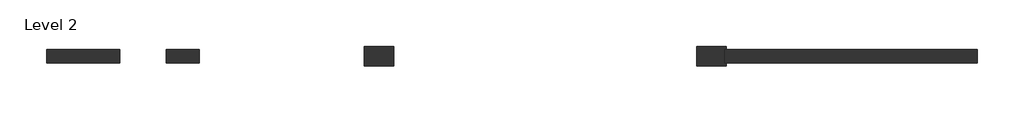
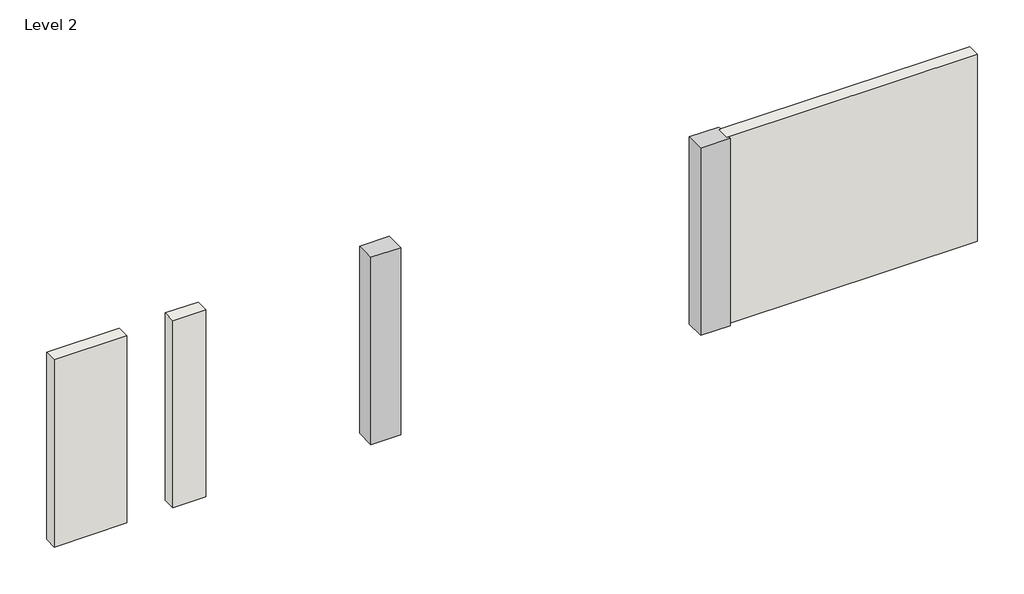
# One storey: 3 walls, 2 columns.
"""IFC4 building model written with IfcOpenShell, lengths in millimetres."""

import ifcopenshell
import ifcopenshell.guid

model = None  # the IFC model being written
_history = None  # IfcOwnerHistory: only IFC2X3 demands one
_inside = {}  # id of a spatial element -> (the spatial element, [elements in it])
_under = {}  # id of a project, library or spatial element -> (it, [spatial elements below it])
_declared = {}  # id of a project -> (the project, [libraries it declares])
_typed = {}  # id of a type object -> (the type object, [elements of that type])
_made_of = {}  # id of a material, layer set ... -> (it, [elements and type objects made of it])


def new_model(schema):
    """Start an empty IFC model of exactly this schema.

    Asked for "IFC4X3", IfcOpenShell would pick the latest addendum, in which some entities
    have other attributes; the version numbers below select the first issue.
    IFC2X3 requires an IfcOwnerHistory on every rooted entity: one is made here for all.
    """
    global model, _history
    if schema == "IFC4X3":
        model = ifcopenshell.file(schema_version=(4, 3, 0, 0))
    else:
        model = ifcopenshell.file(schema=schema)
    _inside.clear()
    _under.clear()
    _declared.clear()
    _typed.clear()
    _made_of.clear()
    _history = None
    if model.schema == "IFC2X3":
        org = make("IfcOrganization", Name="unknown")
        user = make(
            "IfcPersonAndOrganization",
            ThePerson=make("IfcPerson", FamilyName="unknown"),
            TheOrganization=org,
        )
        app = make(
            "IfcApplication",
            ApplicationDeveloper=org,
            Version="unknown",
            ApplicationFullName="unknown",
            ApplicationIdentifier="unknown",
        )
        _history = make(
            "IfcOwnerHistory",
            OwningUser=user,
            OwningApplication=app,
            ChangeAction="ADDED",
            CreationDate=0,
        )
    return model


def make(cls, **values):
    """One entity of the class cls with the attributes given. An attribute that is None is left unset."""
    return model.create_entity(
        cls, **{name: value for name, value in values.items() if value is not None}
    )


def rooted(cls, **values):
    """An entity with a GlobalId (a new one), such as an element, a storey or a relation."""
    return make(cls, GlobalId=ifcopenshell.guid.new(), OwnerHistory=_history, **values)


def si_unit(unit_type, name, prefix=None):
    """IfcSIUnit, for example si_unit("LENGTHUNIT", "METRE", prefix="MILLI")."""
    return make("IfcSIUnit", UnitType=unit_type, Prefix=prefix, Name=name)


def assignment(units):
    """IfcUnitAssignment: the units of a project."""
    return None if units is None else make("IfcUnitAssignment", Units=units)


def point(xyz):
    """IfcCartesianPoint."""
    return None if xyz is None else make("IfcCartesianPoint", Coordinates=xyz)


def direction(xyz):
    """IfcDirection."""
    return None if xyz is None else make("IfcDirection", DirectionRatios=xyz)


def frame(location, z_axis=None, x_axis=None):
    """IfcAxis2Placement3D, a coordinate frame: its origin and axes. An axis left out is left unset."""
    return make(
        "IfcAxis2Placement3D",
        Location=point(location),
        Axis=direction(z_axis),
        RefDirection=direction(x_axis),
    )


def origin():
    """The frame at (0, 0, 0) with its axes left unset."""
    return frame((0.0, 0.0, 0.0))


def place(relative_to, where):
    """IfcLocalPlacement: puts the frame where relative to a parent placement (None: the world)."""
    return make(
        "IfcLocalPlacement", PlacementRelTo=relative_to, RelativePlacement=where
    )


def context(
    kind, dimensions, precision=None, world=None, true_north=None, identifier=None
):
    """IfcGeometricRepresentationContext, for example the 3D "Model" context."""
    return make(
        "IfcGeometricRepresentationContext",
        ContextIdentifier=identifier,
        ContextType=kind,
        CoordinateSpaceDimension=dimensions,
        Precision=precision,
        WorldCoordinateSystem=world,
        TrueNorth=true_north,
    )


def project(units=None, contexts=None):
    """IfcProject with its units and contexts."""
    return rooted(
        "IfcProject",
        Name="project",
        RepresentationContexts=contexts,
        UnitsInContext=assignment(units),
    )


def spatial(cls, under=None, at=None, **own):
    """A site, building, storey or space (cls), placed at a placement, below another one or the project."""
    s = rooted(cls, ObjectPlacement=at, **own)
    if under is not None:
        _under.setdefault(under.id(), (under, []))[1].append(s)
    return s


def polyline(points):
    """IfcPolyline through the points."""
    return make("IfcPolyline", Points=[point(p) for p in points])


def outline(outer, holes=None, kind="AREA"):
    """IfcArbitraryClosedProfileDef: a profile drawn as a closed curve; with holes, ...WithVoids."""
    if holes is None:
        return make("IfcArbitraryClosedProfileDef", ProfileType=kind, OuterCurve=outer)
    return make(
        "IfcArbitraryProfileDefWithVoids",
        ProfileType=kind,
        OuterCurve=outer,
        InnerCurves=holes,
    )


def extrude(swept, where, along, depth):
    """IfcExtrudedAreaSolid: the profile swept, set in the frame where, extruded along a direction by depth."""
    return make(
        "IfcExtrudedAreaSolid",
        SweptArea=swept,
        Position=where,
        ExtrudedDirection=direction(along),
        Depth=depth,
    )


def faces_of(points, faces, orient=None, outer=None):
    """IfcFace entities. A face is a list of loops; a loop is a list of indices into points, from 0.

    orient and outer hold one flag for each loop. By default every Orientation is true, the
    first loop of a face is its IfcFaceOuterBound and the others are IfcFaceBound.
    """
    made = []
    for i, loops in enumerate(faces):
        bounds = []
        for j, loop in enumerate(loops):
            is_outer = j == 0 if outer is None else outer[i][j]
            bounds.append(
                make(
                    "IfcFaceOuterBound" if is_outer else "IfcFaceBound",
                    Bound=make("IfcPolyLoop", Polygon=[points[k] for k in loop]),
                    Orientation=True if orient is None else orient[i][j],
                )
            )
        made.append(make("IfcFace", Bounds=bounds))
    return made


def faceted_brep(points, faces, orient=None, outer=None, voids=None):
    """IfcFacetedBrep: a solid bounded by flat faces; with voids (closed shells), ...WithVoids."""
    shared = [point(p) for p in points]
    hull = make("IfcClosedShell", CfsFaces=faces_of(shared, faces, orient, outer))
    if voids is None:
        return make("IfcFacetedBrep", Outer=hull)
    return make(
        "IfcFacetedBrepWithVoids",
        Outer=hull,
        Voids=[
            make(cls, CfsFaces=faces_of(shared, fs, o, b)) for cls, fs, o, b in voids
        ],
    )


def shape(context_of_items, identifier, shape_type, items):
    """IfcShapeRepresentation: the items that make up one representation, for example the "Body"."""
    return make(
        "IfcShapeRepresentation",
        ContextOfItems=context_of_items,
        RepresentationIdentifier=identifier,
        RepresentationType=shape_type,
        Items=items,
    )


def made_of(thing, what):
    """Note that an element or type object is made of a material, layer set ...; save() writes the relation."""
    if what is not None:
        _made_of.setdefault(what.id(), (what, []))[1].append(thing)
    return thing


def element(
    cls,
    number,
    at=None,
    inside=None,
    cuts=None,
    type_object=None,
    material=None,
    context=None,
    identifier="Body",
    shape_type=None,
    held_by="IfcProductDefinitionShape",
    body=None,
    shapes=None,
    **own,
):
    """One element of the class cls, such as IfcWall. Its Tag is "e" and its number.

    at: its placement. inside: the storey or other place that contains it. cuts: it is an
    opening in that element (IfcRelVoidsElement). A single representation is given by context,
    identifier, shape_type and body (its items); several are given by shapes. held_by: the class
    of the entity that holds the representations. save() writes the other relations.
    """
    e = rooted(cls, Tag="e%d" % number, ObjectPlacement=at, **own)
    if body is not None:
        shapes = [shape(context, identifier, shape_type, body)]
    if shapes is not None:
        e.Representation = make(held_by, Representations=shapes)
    if inside is not None:
        _inside.setdefault(inside.id(), (inside, []))[1].append(e)
    if cuts is not None:
        rooted(
            "IfcRelVoidsElement", RelatingBuildingElement=cuts, RelatedOpeningElement=e
        )
    if type_object is not None:
        _typed.setdefault(type_object.id(), (type_object, []))[1].append(e)
    return made_of(e, material)


def aggregate(whole, parts):
    """IfcRelAggregates: a whole, such as a stair, and the parts it consists of."""
    return rooted("IfcRelAggregates", RelatingObject=whole, RelatedObjects=parts)


def save(model, path):
    """Write the relations noted so far, then the file.

    IfcRelAggregates (storeys below a building ...), IfcRelContainedInSpatialStructure (elements
    in a storey), IfcRelDefinesByType, IfcRelAssociatesMaterial and IfcRelDeclares: one each for
    every whole, place, type object, material and project.
    """
    for whole, parts in _under.values():
        aggregate(whole, parts)
    for where, things in _inside.values():
        rooted(
            "IfcRelContainedInSpatialStructure",
            RelatedElements=things,
            RelatingStructure=where,
        )
    for kind, things in _typed.values():
        rooted("IfcRelDefinesByType", RelatedObjects=things, RelatingType=kind)
    for what, things in _made_of.values():
        rooted("IfcRelAssociatesMaterial", RelatedObjects=things, RelatingMaterial=what)
    for by, libraries in _declared.values():
        rooted("IfcRelDeclares", RelatingContext=by, RelatedDefinitions=libraries)
    model.write(path)


model = new_model("IFC4")

# Units and contexts
model_context = context("Model", 3, world=origin())
ifc_project = project(units=[si_unit("LENGTHUNIT", "METRE", prefix="MILLI")], contexts=[model_context])

# Site, building, storey
site = spatial("IfcSite", under=ifc_project)
building = spatial("IfcBuilding", under=site)
storey = spatial("IfcBuildingStorey", under=building, Name="Level 2", Elevation=3000.0)

# Columns
placement = place(None, origin())
element("IfcColumn", 1, ObjectType="Concrete-Rectangular-Column : 300 x 450mm", at=placement, inside=storey, context=model_context, shape_type="SweptSolid", body=[
    extrude(outline(polyline([(-1630.1340987, 11056.1906431), (-2080.1340987, 11056.1906431), (-2080.1340987, 11356.1906431), (-1630.1340987, 11356.1906431), (-1630.1340987, 11056.1906431)])), frame((0.0, 0.0, 3000.0), z_axis=(0.0, 0.0, 1.0), x_axis=(1.0, 0.0, 0.0)), (0.0, 0.0, 1.0), 3000.0),
])
element("IfcColumn", 2, ObjectType="Concrete-Rectangular-Column : 300 x 450mm", at=placement, inside=storey, context=model_context, shape_type="SweptSolid", body=[
    extrude(outline(polyline([(3369.8659013, 11056.1906431), (2919.8659013, 11056.1906431), (2919.8659013, 11356.1906431), (3369.8659013, 11356.1906431), (3369.8659013, 11306.1906431), (3344.8659013, 11306.1906431), (3344.8659013, 11106.1906431), (3369.8659013, 11106.1906431), (3369.8659013, 11056.1906431)])), frame((0.0, 0.0, 3000.0), z_axis=(0.0, 0.0, 1.0), x_axis=(1.0, 0.0, 0.0)), (0.0, 0.0, 1.0), 3000.0),
])

# Walls
element("IfcWall", 3, ObjectType="Generic - 200mm", at=placement, inside=storey, context=model_context, shape_type="SweptSolid", body=[
    extrude(outline(polyline([(-5755.1340987, 11106.1906431), (-6855.1340987, 11106.1906431), (-6855.1340987, 11306.1906431), (-5755.1340987, 11306.1906431), (-5755.1340987, 11106.1906431)])), frame((0.0, 0.0, 3000.0), z_axis=(0.0, 0.0, 1.0), x_axis=(1.0, 0.0, 0.0)), (0.0, 0.0, 1.0), 3000.0),
])
element("IfcWall", 4, ObjectType="Generic - 200mm", at=placement, inside=storey, context=model_context, shape_type="SweptSolid", body=[
    extrude(outline(polyline([(-4555.1340987, 11106.1906431), (-5055.1340987, 11106.1906431), (-5055.1340987, 11306.1906431), (-4555.1340987, 11306.1906431), (-4555.1340987, 11106.1906431)])), frame((0.0, 0.0, 3000.0), z_axis=(0.0, 0.0, 1.0), x_axis=(1.0, 0.0, 0.0)), (0.0, 0.0, 1.0), 3000.0),
])
element("IfcWall", 5, ObjectType="Generic - 200mm", at=placement, inside=storey, context=model_context, shape_type="Brep", body=[
    faceted_brep([(3344.8659013, 11106.1906431, 3000.0), (3369.8659013, 11106.1906431, 3000.0), (7144.8659013, 11106.1906431, 3000.0), (7144.8659013, 11106.1906431, 6000.0), (3369.8659013, 11106.1906431, 6000.0), (3344.8659013, 11106.1906431, 6000.0), (3344.8659013, 11306.1906431, 3000.0), (3344.8659013, 11306.1906431, 6000.0), (3369.8659013, 11306.1906431, 6000.0), (7144.8659013, 11306.1906431, 6000.0), (7144.8659013, 11306.1906431, 3000.0), (3369.8659013, 11306.1906431, 3000.0)], [[[0, 1, 2, 3, 4, 5]], [[6, 7, 8, 9, 10, 11]], [[2, 1, 0, 6, 11, 10]], [[3, 2, 10, 9]], [[5, 4, 3, 9, 8, 7]], [[0, 5, 7, 6]]]),
])

save(model, "model.ifc")
